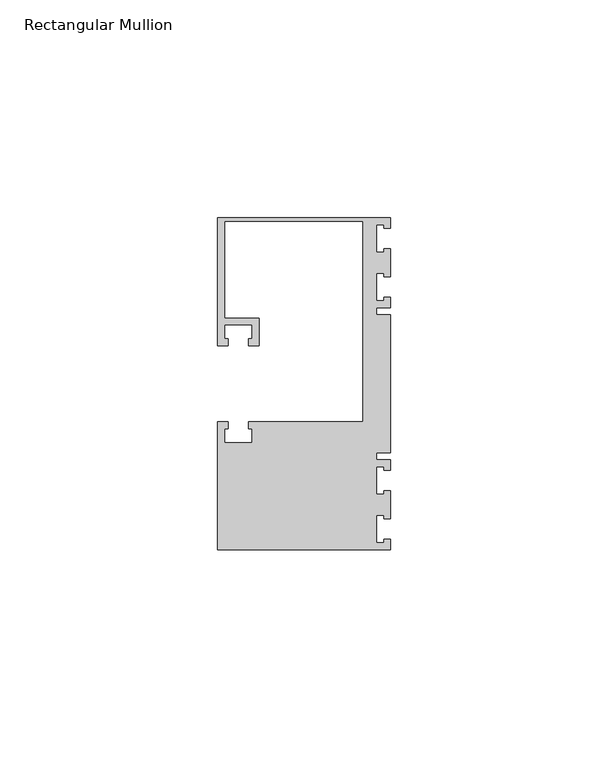
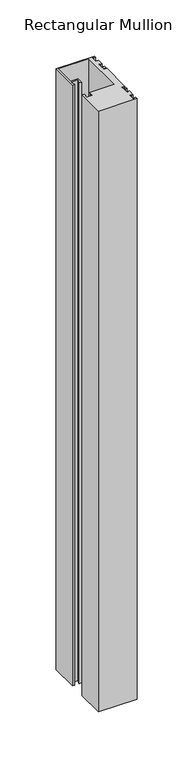
"""IFC4 building model written with IfcOpenShell, lengths in millimetres: member geometry, Rectangular Mullion."""

from ifc_helpers import new_model, si_unit, frame, origin, place, context, project, spatial, polyline, outline, extrude, source, transform, mapped, element, save


def rectangular_mullion_28d03290(model_context):
    return source(origin(), model_context, "Body", "SweptSolid", [
        extrude(outline(polyline([(0.0, 38.1), (0.0, 35.71875), (-1.4999946, 35.71875), (-1.4999946, 36.5125), (-3.175, 36.5125), (-3.175, 30.1625), (-1.4999946, 30.1625), (-1.4999946, 30.95625), (0.0, 30.95625), (0.0, 24.60625), (-1.4999946, 24.60625), (-1.4999946, 25.4), (-3.175, 25.4), (-3.175, 19.05), (-1.4999946, 19.05), (-1.4999946, 19.84375), (0.0, 19.84375), (0.0, 17.4625), (-3.175, 17.4625), (-3.175, 15.875), (0.0, 15.875), (0.0, -15.875), (-3.175, -15.875), (-3.175, -17.4625), (0.0, -17.4625), (0.0, -19.84375), (-1.4999946, -19.84375), (-1.4999946, -19.05), (-3.175, -19.05), (-3.175, -25.4), (-1.4999946, -25.4), (-1.4999946, -24.60625), (0.0, -24.60625), (0.0, -30.95625), (-1.4999946, -30.95625), (-1.4999946, -30.1625), (-3.175, -30.1625), (-3.175, -36.5125), (-1.4999946, -36.5125), (-1.4999946, -35.71875), (0.0, -35.71875), (0.0, -38.1), (-39.6875, -38.1), (-39.6875, -8.73125), (-37.30625, -8.73125), (-37.30625, -10.31875), (-38.1, -10.31875), (-38.1, -13.49375), (-31.75, -13.49375), (-31.75, -10.31875), (-32.54375, -10.31875), (-32.54375, -8.73125), (-6.35, -8.73125), (-6.35, 37.30625), (-38.1, 37.30625), (-38.1, 15.08125), (-30.1625, 15.08125), (-30.1625, 8.73125), (-32.54375, 8.73125), (-32.54375, 10.31875), (-31.75, 10.31875), (-31.75, 13.49375), (-38.1, 13.49375), (-38.1, 10.31875), (-37.30625, 10.31875), (-37.30625, 8.73125), (-39.6875, 8.73125), (-39.6875, 38.1), (0.0, 38.1)])), frame((0.0, 0.0, -654.05), z_axis=(0.0, 0.0, 1.0), x_axis=(1.0, 0.0, 0.0)), (0.0, 0.0, 1.0), 654.05),
    ])


if __name__ == "__main__":
    model = new_model("IFC4")
    model_context = context("Model", 3, world=origin())
    ifc_project = project(units=[si_unit("LENGTHUNIT", "METRE", prefix="MILLI")], contexts=[model_context])
    site = spatial("IfcSite", under=ifc_project)
    building = spatial("IfcBuilding", under=site)
    placement = place(None, origin())
    rectangular_mullion_shape = rectangular_mullion_28d03290(model_context)
    element("IfcMember", 1, ObjectType="Rectangular Mullion", at=placement, inside=building, context=model_context, shape_type="MappedRepresentation", body=[
        mapped(rectangular_mullion_shape, transform((0.0, 0.0, 0.0), x_axis=(1.0, 0.0, 0.0), y_axis=(0.0, 1.0, 0.0), z_axis=(0.0, 0.0, 1.0))),
    ])
    save(model, "model.ifc")
